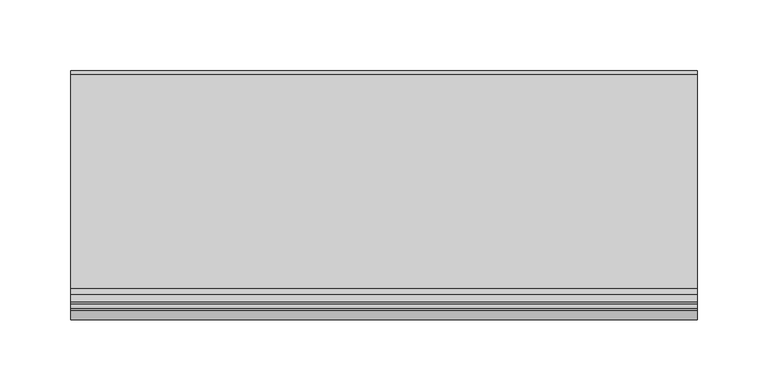
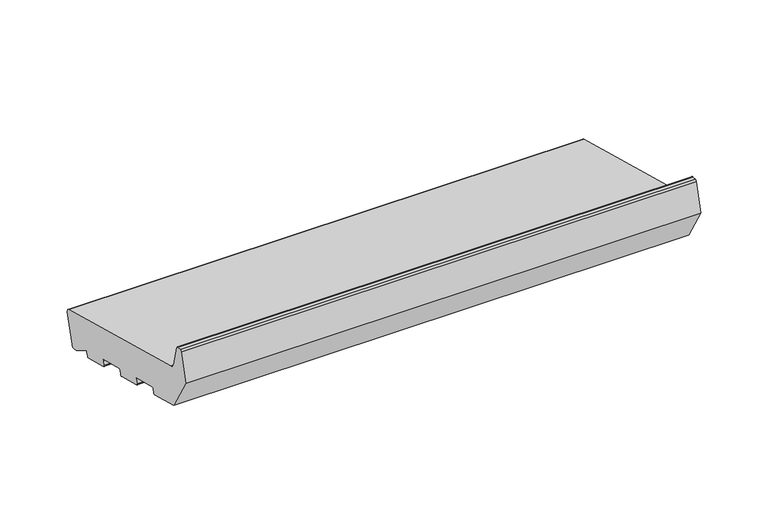
"""IFC4 building model written with IfcOpenShell, lengths in millimetres: proxy geometry."""

from ifc_helpers import new_model, si_unit, point, frame, frame_2d, origin, place, context, project, spatial, polyline, circle_curve, trimmed, segment, composite_curve, outline, extrude, source, transform, mapped, element, save


def generic_models_f1d7c475(model_context):
    return source(origin(), model_context, "Body", "SweptSolid", [
        extrude(outline(composite_curve([segment(polyline([(24.7572142, 5.4869469), (22.0404366, 6.2149052), (7.8722069, 14.8023515)]), True, "CONTINUOUS"), segment(trimmed(circle_curve(frame_2d((7.3538769, 13.9471708)), 1.0), [point((7.8722069, 14.8023515))], [point((6.3879511, 14.2059898))], True, "CARTESIAN"), True, "CONTINUOUS"), segment(polyline([(6.3879511, 14.2059898), (5.4386976, 10.6633278)]), True, "CONTINUOUS"), segment(trimmed(circle_curve(frame_2d((4.4727718, 10.9221468)), 1.0), [point((5.4386976, 10.6633278))], [point((4.2139528, 9.956221))], False, "CARTESIAN"), True, "CONTINUOUS"), segment(polyline([(4.2139528, 9.956221), (-18.0023412, 15.909059)]), True, "CONTINUOUS"), segment(trimmed(circle_curve(frame_2d((-17.7435222, 16.8749849)), 1.0), [point((-18.0023412, 15.909059))], [point((-18.709448, 17.1338039))], False, "CARTESIAN"), True, "CONTINUOUS"), segment(polyline([(-18.709448, 17.1338039), (-17.6741718, 20.9975072)]), True, "CONTINUOUS"), segment(trimmed(circle_curve(frame_2d((-18.6400977, 21.2563263)), 1.0), [point((-17.6741718, 20.9975072))], [point((-18.3812786, 22.2222521))], True, "CARTESIAN"), True, "CONTINUOUS"), segment(polyline([(-18.3812786, 22.2222521), (-41.5634984, 28.4339092)]), True, "CONTINUOUS"), segment(trimmed(circle_curve(frame_2d((-41.8223175, 27.4679833)), 1.0), [point((-41.5634984, 28.4339092))], [point((-42.7882433, 27.7268024))], True, "CARTESIAN"), True, "CONTINUOUS"), segment(polyline([(-42.7882433, 27.7268024), (-43.8235195, 23.8630991)]), True, "CONTINUOUS"), segment(trimmed(circle_curve(frame_2d((-44.7894453, 24.1219181)), 1.0), [point((-43.8235195, 23.8630991))], [point((-45.0482644, 23.1559923))], False, "CARTESIAN"), True, "CONTINUOUS"), segment(polyline([(-45.0482644, 23.1559923), (-67.2645584, 29.1088303)]), True, "CONTINUOUS"), segment(trimmed(circle_curve(frame_2d((-67.0057393, 30.0747562)), 1.0), [point((-67.2645584, 29.1088303))], [point((-67.9716652, 30.3335752))], False, "CARTESIAN"), True, "CONTINUOUS"), segment(polyline([(-67.9716652, 30.3335752), (-66.936389, 34.1972785)]), True, "CONTINUOUS"), segment(trimmed(circle_curve(frame_2d((-67.9023148, 34.4560976)), 1.0), [point((-66.936389, 34.1972785))], [point((-67.6434958, 35.4220234))], True, "CARTESIAN"), True, "CONTINUOUS"), segment(polyline([(-67.6434958, 35.4220234), (-90.8257156, 41.6336805)]), True, "CONTINUOUS"), segment(trimmed(circle_curve(frame_2d((-91.0845346, 40.6677546)), 1.0), [point((-90.8257156, 41.6336805))], [point((-92.0504605, 40.9265737))], True, "CARTESIAN"), True, "CONTINUOUS"), segment(polyline([(-92.0504605, 40.9265737), (-93.0857366, 37.0628704)]), True, "CONTINUOUS"), segment(trimmed(circle_curve(frame_2d((-94.0516625, 37.3216894)), 1.0), [point((-93.0857366, 37.0628704))], [point((-94.3104815, 36.3557636))], False, "CARTESIAN"), True, "CONTINUOUS"), segment(polyline([(-94.3104815, 36.3557636), (-122.3223305, 43.8615159), (-140.0, 74.4801377), (-133.4291321, 99.0029505)]), True, "CONTINUOUS"), segment(trimmed(circle_curve(frame_2d((-131.9802434, 98.614722)), 1.5), [point((-133.4291321, 99.0029505))], [point((-131.9802434, 100.114722))], False, "CARTESIAN"), True, "CONTINUOUS"), segment(polyline([(-131.9802434, 100.114722), (-128.6368689, 100.114722)]), True, "CONTINUOUS"), segment(trimmed(circle_curve(frame_2d((-128.6368689, 98.614722)), 1.5), [point((-128.6368689, 100.114722))], [point((-127.1879801, 99.0029505))], False, "CARTESIAN"), True, "CONTINUOUS"), segment(polyline([(-127.1879801, 99.0029505), (-122.4052841, 81.1536858)]), True, "CONTINUOUS"), segment(trimmed(circle_curve(frame_2d((-116.6097291, 82.7066)), 6.0), [point((-122.4052841, 81.1536858))], [point((-118.1626434, 76.9110451))], True, "CARTESIAN"), True, "CONTINUOUS"), segment(polyline([(-118.1626434, 76.9110451), (33.0394236, 36.3965733)]), True, "CONTINUOUS"), segment(trimmed(circle_curve(frame_2d((32.2629665, 33.4987958)), 3.0), [point((33.0394236, 36.3965733))], [point((35.160744, 32.7223387))], False, "CARTESIAN"), True, "CONTINUOUS"), segment(polyline([(35.160744, 32.7223387), (28.4314488, 7.6082672)]), True, "CONTINUOUS"), segment(trimmed(circle_curve(frame_2d((25.5336713, 8.3847244)), 3.0), [point((28.4314488, 7.6082672))], [point((24.7572142, 5.4869469))], False, "CARTESIAN"), True, "CONTINUOUS")], self_intersect=False)), frame((0.0, 0.0, 0.0), z_axis=(1.0, 0.0, 0.0), x_axis=(0.0, 1.0, 0.0)), (0.0, 0.0, 1.0), 441.0),
    ])


if __name__ == "__main__":
    model = new_model("IFC4")
    model_context = context("Model", 3, world=origin())
    ifc_project = project(units=[si_unit("LENGTHUNIT", "METRE", prefix="MILLI")], contexts=[model_context])
    site = spatial("IfcSite", under=ifc_project)
    building = spatial("IfcBuilding", under=site)
    placement = place(None, origin())
    generic_models_shape = generic_models_f1d7c475(model_context)
    element("IfcBuildingElementProxy", 1, Name="Generic Models", at=placement, inside=building, context=model_context, shape_type="MappedRepresentation", body=[
        mapped(generic_models_shape, transform((0.0, 0.0, 0.0), x_axis=(1.0, 0.0, 0.0), y_axis=(0.0, 1.0, 0.0), z_axis=(0.0, 0.0, 1.0))),
    ])
    save(model, "model.ifc")
